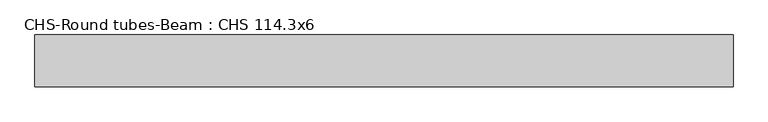
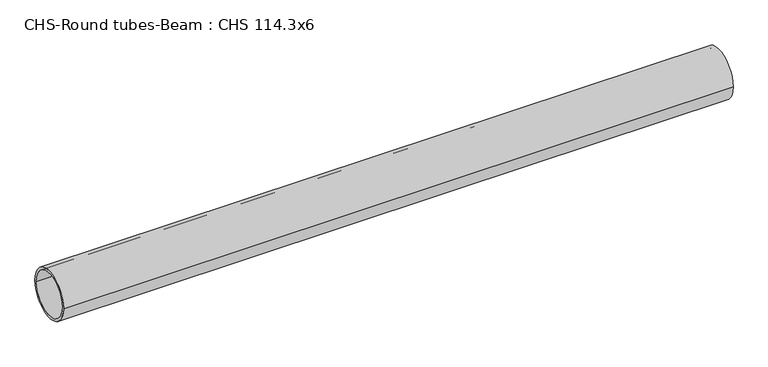
"""IFC4 building model written with IfcOpenShell, lengths in millimetres: beam geometry, CHS-Round tubes-Beam : CHS 114.3x6."""

import ifcopenshell
import ifcopenshell.guid

model = None  # the IFC model being written
_history = None  # IfcOwnerHistory: only IFC2X3 demands one
_inside = {}  # id of a spatial element -> (the spatial element, [elements in it])
_under = {}  # id of a project, library or spatial element -> (it, [spatial elements below it])
_declared = {}  # id of a project -> (the project, [libraries it declares])
_typed = {}  # id of a type object -> (the type object, [elements of that type])
_made_of = {}  # id of a material, layer set ... -> (it, [elements and type objects made of it])


def new_model(schema):
    """Start an empty IFC model of exactly this schema.

    Asked for "IFC4X3", IfcOpenShell would pick the latest addendum, in which some entities
    have other attributes; the version numbers below select the first issue.
    IFC2X3 requires an IfcOwnerHistory on every rooted entity: one is made here for all.
    """
    global model, _history
    if schema == "IFC4X3":
        model = ifcopenshell.file(schema_version=(4, 3, 0, 0))
    else:
        model = ifcopenshell.file(schema=schema)
    _inside.clear()
    _under.clear()
    _declared.clear()
    _typed.clear()
    _made_of.clear()
    _history = None
    if model.schema == "IFC2X3":
        org = make("IfcOrganization", Name="unknown")
        user = make(
            "IfcPersonAndOrganization",
            ThePerson=make("IfcPerson", FamilyName="unknown"),
            TheOrganization=org,
        )
        app = make(
            "IfcApplication",
            ApplicationDeveloper=org,
            Version="unknown",
            ApplicationFullName="unknown",
            ApplicationIdentifier="unknown",
        )
        _history = make(
            "IfcOwnerHistory",
            OwningUser=user,
            OwningApplication=app,
            ChangeAction="ADDED",
            CreationDate=0,
        )
    return model


def make(cls, **values):
    """One entity of the class cls with the attributes given. An attribute that is None is left unset."""
    return model.create_entity(
        cls, **{name: value for name, value in values.items() if value is not None}
    )


def rooted(cls, **values):
    """An entity with a GlobalId (a new one), such as an element, a storey or a relation."""
    return make(cls, GlobalId=ifcopenshell.guid.new(), OwnerHistory=_history, **values)


def si_unit(unit_type, name, prefix=None):
    """IfcSIUnit, for example si_unit("LENGTHUNIT", "METRE", prefix="MILLI")."""
    return make("IfcSIUnit", UnitType=unit_type, Prefix=prefix, Name=name)


def assignment(units):
    """IfcUnitAssignment: the units of a project."""
    return None if units is None else make("IfcUnitAssignment", Units=units)


def point(xyz):
    """IfcCartesianPoint."""
    return None if xyz is None else make("IfcCartesianPoint", Coordinates=xyz)


def direction(xyz):
    """IfcDirection."""
    return None if xyz is None else make("IfcDirection", DirectionRatios=xyz)


def frame(location, z_axis=None, x_axis=None):
    """IfcAxis2Placement3D, a coordinate frame: its origin and axes. An axis left out is left unset."""
    return make(
        "IfcAxis2Placement3D",
        Location=point(location),
        Axis=direction(z_axis),
        RefDirection=direction(x_axis),
    )


def frame_2d(location, x_axis=None):
    """IfcAxis2Placement2D, a coordinate frame in the plane: its origin and x axis."""
    return make(
        "IfcAxis2Placement2D", Location=point(location), RefDirection=direction(x_axis)
    )


def origin():
    """The frame at (0, 0, 0) with its axes left unset."""
    return frame((0.0, 0.0, 0.0))


def origin_2d():
    """The frame at (0, 0) in the plane with its x axis left unset."""
    return frame_2d((0.0, 0.0))


def place(relative_to, where):
    """IfcLocalPlacement: puts the frame where relative to a parent placement (None: the world)."""
    return make(
        "IfcLocalPlacement", PlacementRelTo=relative_to, RelativePlacement=where
    )


def context(
    kind, dimensions, precision=None, world=None, true_north=None, identifier=None
):
    """IfcGeometricRepresentationContext, for example the 3D "Model" context."""
    return make(
        "IfcGeometricRepresentationContext",
        ContextIdentifier=identifier,
        ContextType=kind,
        CoordinateSpaceDimension=dimensions,
        Precision=precision,
        WorldCoordinateSystem=world,
        TrueNorth=true_north,
    )


def project(units=None, contexts=None):
    """IfcProject with its units and contexts."""
    return rooted(
        "IfcProject",
        Name="project",
        RepresentationContexts=contexts,
        UnitsInContext=assignment(units),
    )


def spatial(cls, under=None, at=None, **own):
    """A site, building, storey or space (cls), placed at a placement, below another one or the project."""
    s = rooted(cls, ObjectPlacement=at, **own)
    if under is not None:
        _under.setdefault(under.id(), (under, []))[1].append(s)
    return s


def circle_curve(where, radius):
    """IfcCircle in the frame where."""
    return make("IfcCircle", Position=where, Radius=radius)


def trimmed(basis, trim1, trim2, sense, master):
    """IfcTrimmedCurve: the piece of a basis curve between two trims."""
    return make(
        "IfcTrimmedCurve",
        BasisCurve=basis,
        Trim1=trim1,
        Trim2=trim2,
        SenseAgreement=sense,
        MasterRepresentation=master,
    )


def segment(curve, same_sense, transition):
    """IfcCompositeCurveSegment."""
    return make(
        "IfcCompositeCurveSegment",
        Transition=transition,
        SameSense=same_sense,
        ParentCurve=curve,
    )


def composite_curve(segments, self_intersect=None):
    """IfcCompositeCurve: segments joined end to end."""
    return make("IfcCompositeCurve", Segments=segments, SelfIntersect=self_intersect)


def outline(outer, holes=None, kind="AREA"):
    """IfcArbitraryClosedProfileDef: a profile drawn as a closed curve; with holes, ...WithVoids."""
    if holes is None:
        return make("IfcArbitraryClosedProfileDef", ProfileType=kind, OuterCurve=outer)
    return make(
        "IfcArbitraryProfileDefWithVoids",
        ProfileType=kind,
        OuterCurve=outer,
        InnerCurves=holes,
    )


def extrude(swept, where, along, depth):
    """IfcExtrudedAreaSolid: the profile swept, set in the frame where, extruded along a direction by depth."""
    return make(
        "IfcExtrudedAreaSolid",
        SweptArea=swept,
        Position=where,
        ExtrudedDirection=direction(along),
        Depth=depth,
    )


def shape(context_of_items, identifier, shape_type, items):
    """IfcShapeRepresentation: the items that make up one representation, for example the "Body"."""
    return make(
        "IfcShapeRepresentation",
        ContextOfItems=context_of_items,
        RepresentationIdentifier=identifier,
        RepresentationType=shape_type,
        Items=items,
    )


def source(mapping_origin, context_of_items, identifier, shape_type, items):
    """IfcRepresentationMap: a shape defined once, which mapped items show again and again."""
    return make(
        "IfcRepresentationMap",
        MappingOrigin=mapping_origin,
        MappedRepresentation=shape(context_of_items, identifier, shape_type, items),
    )


def transform(
    local_origin,
    x_axis=None,
    y_axis=None,
    z_axis=None,
    scale=None,
    scale2=None,
    scale3=None,
    uniform=True,
):
    """IfcCartesianTransformationOperator3D, or its non-uniform kind. x_axis, y_axis, z_axis: its Axis1, 2, 3."""
    if uniform:
        return make(
            "IfcCartesianTransformationOperator3D",
            Axis1=direction(x_axis),
            Axis2=direction(y_axis),
            LocalOrigin=point(local_origin),
            Scale=scale,
            Axis3=direction(z_axis),
        )
    return make(
        "IfcCartesianTransformationOperator3DnonUniform",
        Axis1=direction(x_axis),
        Axis2=direction(y_axis),
        LocalOrigin=point(local_origin),
        Scale=scale,
        Axis3=direction(z_axis),
        Scale2=scale2,
        Scale3=scale3,
    )


def mapped(mapping_source, mapping_target):
    """IfcMappedItem: shows the shape of a source again, moved by a transform."""
    return make(
        "IfcMappedItem", MappingSource=mapping_source, MappingTarget=mapping_target
    )


def made_of(thing, what):
    """Note that an element or type object is made of a material, layer set ...; save() writes the relation."""
    if what is not None:
        _made_of.setdefault(what.id(), (what, []))[1].append(thing)
    return thing


def element(
    cls,
    number,
    at=None,
    inside=None,
    cuts=None,
    type_object=None,
    material=None,
    context=None,
    identifier="Body",
    shape_type=None,
    held_by="IfcProductDefinitionShape",
    body=None,
    shapes=None,
    **own,
):
    """One element of the class cls, such as IfcWall. Its Tag is "e" and its number.

    at: its placement. inside: the storey or other place that contains it. cuts: it is an
    opening in that element (IfcRelVoidsElement). A single representation is given by context,
    identifier, shape_type and body (its items); several are given by shapes. held_by: the class
    of the entity that holds the representations. save() writes the other relations.
    """
    e = rooted(cls, Tag="e%d" % number, ObjectPlacement=at, **own)
    if body is not None:
        shapes = [shape(context, identifier, shape_type, body)]
    if shapes is not None:
        e.Representation = make(held_by, Representations=shapes)
    if inside is not None:
        _inside.setdefault(inside.id(), (inside, []))[1].append(e)
    if cuts is not None:
        rooted(
            "IfcRelVoidsElement", RelatingBuildingElement=cuts, RelatedOpeningElement=e
        )
    if type_object is not None:
        _typed.setdefault(type_object.id(), (type_object, []))[1].append(e)
    return made_of(e, material)


def aggregate(whole, parts):
    """IfcRelAggregates: a whole, such as a stair, and the parts it consists of."""
    return rooted("IfcRelAggregates", RelatingObject=whole, RelatedObjects=parts)


def save(model, path):
    """Write the relations noted so far, then the file.

    IfcRelAggregates (storeys below a building ...), IfcRelContainedInSpatialStructure (elements
    in a storey), IfcRelDefinesByType, IfcRelAssociatesMaterial and IfcRelDeclares: one each for
    every whole, place, type object, material and project.
    """
    for whole, parts in _under.values():
        aggregate(whole, parts)
    for where, things in _inside.values():
        rooted(
            "IfcRelContainedInSpatialStructure",
            RelatedElements=things,
            RelatingStructure=where,
        )
    for kind, things in _typed.values():
        rooted("IfcRelDefinesByType", RelatedObjects=things, RelatingType=kind)
    for what, things in _made_of.values():
        rooted("IfcRelAssociatesMaterial", RelatedObjects=things, RelatingMaterial=what)
    for by, libraries in _declared.values():
        rooted("IfcRelDeclares", RelatingContext=by, RelatedDefinitions=libraries)
    model.write(path)


def chs_round_tubes_beam_chs_114_3x6_998da43c(model_context):
    return source(origin(), model_context, "Body", "SweptSolid", [
        extrude(outline(composite_curve([segment(trimmed(circle_curve(origin_2d(), 57.15), [point((57.15, 0.0))], [point((-57.15, 0.0))], False, "CARTESIAN"), True, "CONTINUOUS"), segment(trimmed(circle_curve(origin_2d(), 57.15), [point((-57.15, 0.0))], [point((57.15, 0.0))], False, "CARTESIAN"), True, "CONTINUOUS")], self_intersect=False), holes=[composite_curve([segment(trimmed(circle_curve(origin_2d(), 51.15), [point((51.15, 0.0))], [point((-51.15, 0.0))], True, "CARTESIAN"), True, "CONTINUOUS"), segment(trimmed(circle_curve(origin_2d(), 51.15), [point((-51.15, 0.0))], [point((51.15, 0.0))], True, "CARTESIAN"), True, "CONTINUOUS")], self_intersect=False)]), frame((-747.1797242, 0.0, 0.0), z_axis=(1.0, 0.0, 0.0), x_axis=(0.0, 1.0, 0.0)), (0.0, 0.0, 1.0), 1544.2167849),
    ])


if __name__ == "__main__":
    model = new_model("IFC4")
    model_context = context("Model", 3, world=origin())
    ifc_project = project(units=[si_unit("LENGTHUNIT", "METRE", prefix="MILLI")], contexts=[model_context])
    site = spatial("IfcSite", under=ifc_project)
    building = spatial("IfcBuilding", under=site)
    placement = place(None, origin())
    chs_round_tubes_beam_chs_114_3x6_shape = chs_round_tubes_beam_chs_114_3x6_998da43c(model_context)
    element("IfcBeam", 1, ObjectType="CHS-Round tubes-Beam : CHS 114.3x6", at=placement, inside=building, context=model_context, shape_type="MappedRepresentation", body=[
        mapped(chs_round_tubes_beam_chs_114_3x6_shape, transform((0.0, 0.0, 0.0), x_axis=(1.0, 0.0, 0.0), y_axis=(0.0, 1.0, 0.0), z_axis=(0.0, 0.0, 1.0))),
    ])
    save(model, "model.ifc")
